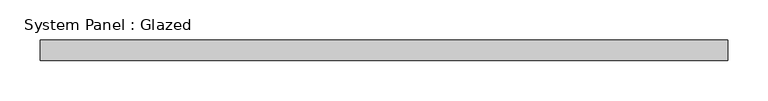
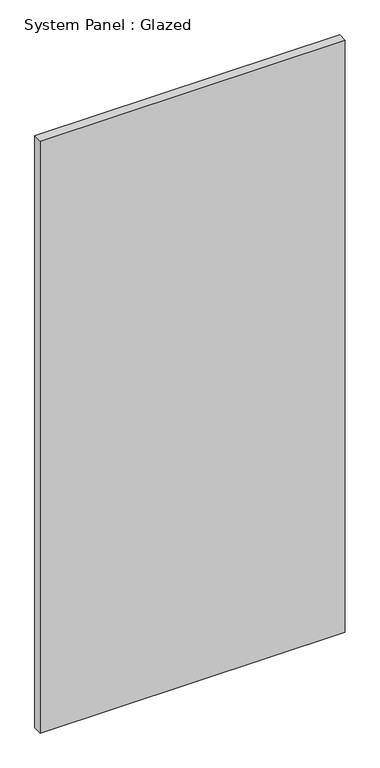
"""IFC4 building model written with IfcOpenShell, lengths in millimetres: plate geometry, System Panel : Glazed."""

from ifc_helpers import new_model, si_unit, origin, origin_with_axes, place, context, project, spatial, polyline, outline, extrude, source, transform, mapped, element, save


def system_panel_glazed_551c790d(model_context):
    return source(origin(), model_context, "Body", "SweptSolid", [
        extrude(outline(polyline([(425.0, 24.5), (-425.0, 24.5), (-425.0, 49.5), (425.0, 49.5), (425.0, 24.5)])), origin_with_axes(), (0.0, 0.0, 1.0), 1743.3333333),
    ])


if __name__ == "__main__":
    model = new_model("IFC4")
    model_context = context("Model", 3, world=origin())
    ifc_project = project(units=[si_unit("LENGTHUNIT", "METRE", prefix="MILLI")], contexts=[model_context])
    site = spatial("IfcSite", under=ifc_project)
    building = spatial("IfcBuilding", under=site)
    placement = place(None, origin())
    system_panel_glazed_shape = system_panel_glazed_551c790d(model_context)
    element("IfcPlate", 1, ObjectType="System Panel : Glazed", at=placement, inside=building, context=model_context, shape_type="MappedRepresentation", body=[
        mapped(system_panel_glazed_shape, transform((0.0, 0.0, 0.0), x_axis=(1.0, 0.0, 0.0), y_axis=(0.0, 1.0, 0.0), z_axis=(0.0, 0.0, 1.0))),
    ])
    save(model, "model.ifc")
